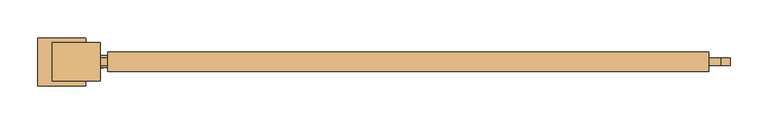
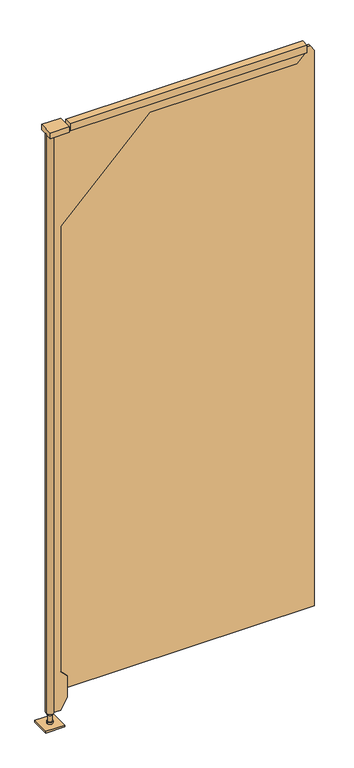
"""IFC4 building model written with IfcOpenShell, lengths in millimetres: door geometry."""

from ifc_helpers import new_model, si_unit, frame, origin, origin_with_axes, place, context, project, spatial, polyline, circle_curve, outline, extrude, source, transform, mapped, element, save
from ifc_brep_helpers import plane_surface, cylinder_surface, advanced_brep


def door_b968c365(model_context):
    return source(origin(), model_context, "Body", "SolidModel", [
        extrude(outline(polyline([(2082.3239183, 2090.0906968), (2101.85, 2077.410311), (2101.85, 1239.1906968), (114.3, 1239.1906968), (114.3, 2090.0906968), (2082.3239183, 2090.0906968)])), frame((0.0, -867.4035438, 0.0), z_axis=(0.0, 1.0, 0.0), x_axis=(0.0, 0.0, 1.0)), (0.0, 0.0, 1.0), 9.525),
        advanced_brep(
        [(1239.1906968, -870.5785438, 44.45), (1261.4156968, -870.5785438, 82.9448292), (1261.4156968, -870.5785438, 159.1448292), (1239.1906968, -870.5785438, 181.3698292), (1239.1906968, -870.5785438, 1758.95), (1537.9598004, -870.5785438, 2057.7191036), (2030.0848004, -870.5785438, 2057.7191036), (2061.5156968, -870.5785438, 2089.15), (1267.7656968, -870.5785438, 2089.15), (1267.7656968, -870.5785438, 2095.5), (1217.3546311, -870.5785438, 2095.5), (1217.3546311, -870.5785438, 44.45), (2061.5156968, -854.7035438, 2089.15), (2030.0848004, -854.7035438, 2057.7191036), (1537.9598004, -854.7035438, 2057.7191036), (1239.1906968, -854.7035438, 1758.95), (1239.1906968, -854.7035438, 181.3698292), (1261.4156968, -854.7035438, 159.1448292), (1261.4156968, -854.7035438, 82.9448292), (1239.1906968, -854.7035438, 44.45), (1217.3546311, -854.7035438, 44.45), (1217.3546311, -854.7035438, 2095.5), (1267.7656968, -854.7035438, 2095.5), (1267.7656968, -854.7035438, 2089.15), (1194.7406968, -862.6410438, 44.45), (1216.9656968, -862.6410438, 44.45), (1197.9156968, -862.6410438, 44.45), (2061.5156968, -849.9410438, 2089.15), (2061.5156968, -849.9410438, 2114.55), (2061.5156968, -875.3410438, 2114.55), (2061.5156968, -875.3410438, 2089.15), (1194.7406968, -862.6410438, 2095.5), (1197.9156968, -862.6410438, 12.7), (1216.9656968, -862.6410438, 12.7), (1216.9656968, -862.6410438, 6.35), (1197.9156968, -862.6410438, 6.35), (1201.0906968, -862.6410438, 12.7), (1213.7906968, -862.6410438, 12.7), (1201.0906968, -862.6410438, 38.1), (1213.7906968, -862.6410438, 38.1), (1197.9156968, -862.6410438, 38.1), (1216.9656968, -862.6410438, 38.1), (1207.4406968, -862.6410438, 6.35), (1267.7656968, -875.3410438, 2089.15), (1267.7656968, -875.3410438, 2114.55), (1267.7656968, -849.9410438, 2089.15), (1267.7656968, -849.9410438, 2114.55)],
        [
            (0, 1),
            (1, 2),
            (2, 3),
            (3, 4),
            (4, 5),
            (5, 6),
            (6, 7),
            (7, 8),
            (8, 9),
            (9, 10),
            (10, 11),
            (11, 0),
            (12, 13),
            (13, 14),
            (14, 15),
            (15, 16),
            (16, 17),
            (17, 18),
            (18, 19),
            (19, 20),
            (20, 21),
            (21, 22),
            (22, 23),
            (23, 12),
            (19, 0),
            (11, 24, circle_curve(frame((1207.4406968, -862.6410438, 44.45), z_axis=(0.0, 0.0, -1.0), x_axis=(1.0, 0.0, 0.0)), 12.7)),
            (24, 20, circle_curve(frame((1207.4406968, -862.6410438, 44.45), z_axis=(0.0, 0.0, -1.0), x_axis=(1.0, 0.0, 0.0)), 12.7)),
            (25, 26, circle_curve(frame((1207.4406968, -862.6410438, 44.45), z_axis=(0.0, 0.0, 1.0), x_axis=(1.0, 0.0, 0.0)), 9.525)),
            (26, 25, circle_curve(frame((1207.4406968, -862.6410438, 44.45), z_axis=(0.0, 0.0, 1.0), x_axis=(1.0, 0.0, 0.0)), 9.525)),
            (18, 1),
            (17, 2),
            (16, 3),
            (15, 4),
            (14, 5),
            (13, 6),
            (12, 7),
            (12, 27),
            (27, 28),
            (28, 29),
            (29, 30),
            (30, 7),
            (31, 10, circle_curve(frame((1207.4406968, -862.6410438, 2095.5), z_axis=(0.0, 0.0, 1.0), x_axis=(1.0, 0.0, 0.0)), 12.7)),
            (9, 22),
            (21, 31, circle_curve(frame((1207.4406968, -862.6410438, 2095.5), z_axis=(0.0, 0.0, 1.0), x_axis=(1.0, 0.0, 0.0)), 12.7)),
            (32, 33, circle_curve(frame((1207.4406968, -862.6410438, 12.7), z_axis=(0.0, 0.0, -1.0), x_axis=(1.0, 0.0, 0.0)), 9.525)),
            (33, 34),
            (34, 35, circle_curve(frame((1207.4406968, -862.6410438, 6.35), z_axis=(0.0, 0.0, 1.0), x_axis=(1.0, 0.0, 0.0)), 9.525)),
            (35, 32),
            (33, 32, circle_curve(frame((1207.4406968, -862.6410438, 12.7), z_axis=(0.0, 0.0, -1.0), x_axis=(1.0, 0.0, 0.0)), 9.525)),
            (35, 34, circle_curve(frame((1207.4406968, -862.6410438, 6.35), z_axis=(0.0, 0.0, 1.0), x_axis=(1.0, 0.0, 0.0)), 9.525)),
            (32, 36),
            (36, 37, circle_curve(frame((1207.4406968, -862.6410438, 12.7), z_axis=(0.0, 0.0, -1.0), x_axis=(1.0, 0.0, 0.0)), 6.35)),
            (37, 33),
            (37, 36, circle_curve(frame((1207.4406968, -862.6410438, 12.7), z_axis=(0.0, 0.0, -1.0), x_axis=(1.0, 0.0, 0.0)), 6.35)),
            (36, 38),
            (38, 39, circle_curve(frame((1207.4406968, -862.6410438, 38.1), z_axis=(0.0, 0.0, -1.0), x_axis=(1.0, 0.0, 0.0)), 6.35)),
            (39, 37),
            (39, 38, circle_curve(frame((1207.4406968, -862.6410438, 38.1), z_axis=(0.0, 0.0, -1.0), x_axis=(1.0, 0.0, 0.0)), 6.35)),
            (38, 40),
            (40, 41, circle_curve(frame((1207.4406968, -862.6410438, 38.1), z_axis=(0.0, 0.0, -1.0), x_axis=(1.0, 0.0, 0.0)), 9.525)),
            (41, 39),
            (41, 40, circle_curve(frame((1207.4406968, -862.6410438, 38.1), z_axis=(0.0, 0.0, -1.0), x_axis=(1.0, 0.0, 0.0)), 9.525)),
            (40, 26),
            (25, 41),
            (24, 31),
            (34, 42),
            (42, 35),
            (43, 30),
            (29, 44),
            (44, 43),
            (45, 46),
            (46, 28),
            (27, 45),
            (43, 8),
            (23, 45),
            (46, 44),
        ],
        [
            plane_surface(frame((1220.1406968, -870.5785438, 44.45), z_axis=(0.0, -1.0, 0.0), x_axis=(1.0, 0.0, 0.0))),
            plane_surface(frame((1220.1406968, -854.7035438, 44.45), z_axis=(0.0, 1.0, 0.0), x_axis=(-1.0, 0.0, 0.0))),
            plane_surface(frame((1207.4406968, -870.5785438, 44.45), z_axis=(0.0, 0.0, -1.0), x_axis=(0.0, 1.0, 0.0))),
            plane_surface(frame((1239.1906968, -870.5785438, 44.45), z_axis=(0.866025403784438, 0.0, -0.5000000000000012), x_axis=(0.0, 1.0, 0.0))),
            plane_surface(frame((1261.4156968, -870.5785438, 82.9448292), z_axis=(1.0, 0.0, 0.0), x_axis=(0.0, 1.0, 0.0))),
            plane_surface(frame((1261.4156968, -870.5785438, 159.1448292), z_axis=(0.7071067811865491, 0.0, 0.7071067811865459), x_axis=(0.0, 1.0, 0.0))),
            plane_surface(frame((1239.1906968, -870.5785438, 181.3698292), z_axis=(1.0, 0.0, 0.0), x_axis=(0.0, 1.0, 0.0))),
            plane_surface(frame((1239.1906968, -870.5785438, 1758.95), z_axis=(0.7071067811865452, 0.0, -0.7071067811865498), x_axis=(0.0, 1.0, 0.0))),
            plane_surface(frame((1537.9598004, -870.5785438, 2057.7191036), z_axis=(0.0, 0.0, -1.0), x_axis=(0.0, 1.0, 0.0))),
            plane_surface(frame((2030.0848004, -870.5785438, 2057.7191036), z_axis=(0.707106781186546, 0.0, -0.707106781186549), x_axis=(0.0, 1.0, 0.0))),
            plane_surface(frame((2061.5156968, -870.5785438, 2089.15), z_axis=(1.0, 0.0, 0.0), x_axis=(0.0, 1.0, 0.0))),
            plane_surface(frame((2061.5156968, -870.5785438, 2095.5), z_axis=(0.0, 0.0, 1.0), x_axis=(0.0, 1.0, 0.0))),
            cylinder_surface(frame((1207.4406968, -862.6410438, 6.35), z_axis=(0.0, 0.0, 1.0), x_axis=(1.0, 0.0, 0.0)), 9.525),
            plane_surface(frame((1207.4406968, -862.6410438, 12.7), z_axis=(0.0, 0.0, 1.0), x_axis=(1.0, 0.0, 0.0))),
            cylinder_surface(frame((1207.4406968, -862.6410438, 6.35), z_axis=(0.0, 0.0, 1.0), x_axis=(1.0, 0.0, 0.0)), 6.35),
            plane_surface(frame((1207.4406968, -862.6410438, 38.1), z_axis=(0.0, 0.0, -1.0), x_axis=(1.0, 0.0, 0.0))),
            cylinder_surface(frame((1207.4406968, -862.6410438, 6.35), z_axis=(0.0, 0.0, 1.0), x_axis=(1.0, 0.0, 0.0)), 12.7),
            plane_surface(frame((1207.4406968, -862.6410438, 6.35), z_axis=(0.0, 0.0, -1.0), x_axis=(1.0, 0.0, 0.0))),
            plane_surface(frame((1267.7656968, -875.3410438, 2089.15), z_axis=(0.0, -1.0, 0.0), x_axis=(1.0, 0.0, 0.0))),
            plane_surface(frame((1267.7656968, -849.9410438, 2089.15), z_axis=(0.0, 1.0, 0.0), x_axis=(-1.0, 0.0, 0.0))),
            plane_surface(frame((1267.7656968, -875.3410438, 2089.15), z_axis=(0.0, 0.0, -1.0), x_axis=(0.0, 1.0, 0.0))),
            plane_surface(frame((2061.5156968, -875.3410438, 2114.55), z_axis=(0.0, 0.0, 1.0), x_axis=(0.0, 1.0, 0.0))),
            plane_surface(frame((1267.7656968, -875.3410438, 2114.55), z_axis=(-1.0, 0.0, 0.0), x_axis=(0.0, 1.0, 0.0))),
        ],
        [
            (0, [[1, 2, 3, 4, 5, 6, 7, 8, 9, 10, 11, 12]]),
            (1, [[13, 14, 15, 16, 17, 18, 19, 20, 21, 22, 23, 24]]),
            (2, [[25, -12, 26, 27, -20], [28, 29]]),
            (3, [[-1, -25, -19, 30]]),
            (4, [[-2, -30, -18, 31]]),
            (5, [[-3, -31, -17, 32]]),
            (6, [[-4, -32, -16, 33]]),
            (7, [[-5, -33, -15, 34]]),
            (8, [[-6, -34, -14, 35]]),
            (9, [[-7, -35, -13, 36]]),
            (10, [[-36, 37, 38, 39, 40, 41]]),
            (11, [[42, -10, 43, -22, 44]]),
            (12, [[45, 46, 47, 48]]),
            (12, [[-46, 49, -48, 50]]),
            (13, [[-45, 51, 52, 53]]),
            (13, [[-49, -53, 54, -51]]),
            (14, [[-52, 55, 56, 57]]),
            (14, [[-54, -57, 58, -55]]),
            (15, [[-56, 59, 60, 61]]),
            (15, [[-58, -61, 62, -59]]),
            (12, [[-60, 63, -28, 64]]),
            (12, [[-62, -64, -29, -63]]),
            (16, [[65, -44, -21, -27]]),
            (16, [[-65, -26, -11, -42]]),
            (17, [[-47, 66, 67]]),
            (17, [[-50, -67, -66]]),
            (18, [[68, -40, 69, 70]]),
            (19, [[71, 72, -38, 73]]),
            (20, [[-68, 74, -8, -41]]),
            (20, [[-73, -37, -24, 75]]),
            (21, [[-69, -39, -72, 76]]),
            (22, [[-70, -76, -71, -75, -23, -43, -9, -74]]),
        ],
    ),
        extrude(outline(polyline([(1258.2406968, -888.0410438), (1194.7406968, -888.0410438), (1194.7406968, -837.2410438), (1258.2406968, -837.2410438), (1258.2406968, -888.0410438)])), frame((0.0, 0.0, 2095.5), z_axis=(0.0, 0.0, 1.0), x_axis=(1.0, 0.0, 0.0)), (0.0, 0.0, 1.0), 19.05),
        extrude(outline(polyline([(1239.1906968, -830.8910438), (1239.1906968, -894.3910438), (1175.6906968, -894.3910438), (1175.6906968, -830.8910438), (1239.1906968, -830.8910438)])), origin_with_axes(), (0.0, 0.0, 1.0), 6.35),
    ])


if __name__ == "__main__":
    model = new_model("IFC4")
    model_context = context("Model", 3, world=origin())
    ifc_project = project(units=[si_unit("LENGTHUNIT", "METRE", prefix="MILLI")], contexts=[model_context])
    site = spatial("IfcSite", under=ifc_project)
    building = spatial("IfcBuilding", under=site)
    placement = place(None, origin())
    door_shape = door_b968c365(model_context)
    element("IfcDoor", 1, at=placement, inside=building, context=model_context, shape_type="MappedRepresentation", body=[
        mapped(door_shape, transform((0.0, 0.0, 0.0), x_axis=(1.0, 0.0, 0.0), y_axis=(0.0, 1.0, 0.0), z_axis=(0.0, 0.0, 1.0))),
    ])
    save(model, "model.ifc")
